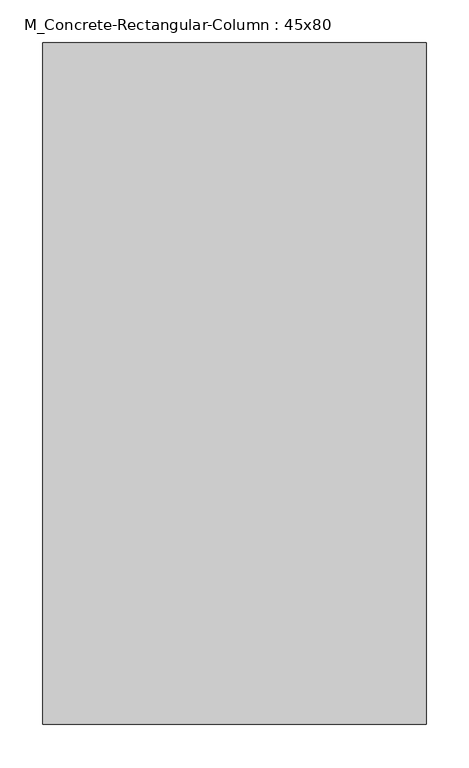
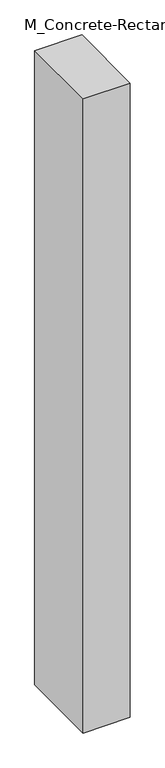
"""IFC4 building model written with IfcOpenShell, lengths in millimetres: column geometry, M_Concrete-Rectangular-Column : 45x80."""

from ifc_helpers import new_model, si_unit, frame, origin, place, context, project, spatial, polyline, outline, extrude, source, transform, mapped, element, save


def m_concrete_rectangular_column_45x80_36075c35(model_context):
    return source(origin(), model_context, "Body", "SweptSolid", [
        extrude(outline(polyline([(225.0, 400.0), (225.0, -400.0), (-225.0, -400.0), (-225.0, 400.0), (225.0, 400.0)])), frame((0.0, 0.0, -6400.0), z_axis=(0.0, 0.0, 1.0), x_axis=(1.0, 0.0, 0.0)), (0.0, 0.0, 1.0), 6400.0),
    ])


if __name__ == "__main__":
    model = new_model("IFC4")
    model_context = context("Model", 3, world=origin())
    ifc_project = project(units=[si_unit("LENGTHUNIT", "METRE", prefix="MILLI")], contexts=[model_context])
    site = spatial("IfcSite", under=ifc_project)
    building = spatial("IfcBuilding", under=site)
    placement = place(None, origin())
    m_concrete_rectangular_column_45x80_shape = m_concrete_rectangular_column_45x80_36075c35(model_context)
    element("IfcColumn", 1, ObjectType="M_Concrete-Rectangular-Column : 45x80", at=placement, inside=building, context=model_context, shape_type="MappedRepresentation", body=[
        mapped(m_concrete_rectangular_column_45x80_shape, transform((0.0, 0.0, 0.0), x_axis=(1.0, 0.0, 0.0), y_axis=(0.0, 1.0, 0.0), z_axis=(0.0, 0.0, 1.0))),
    ])
    save(model, "model.ifc")
